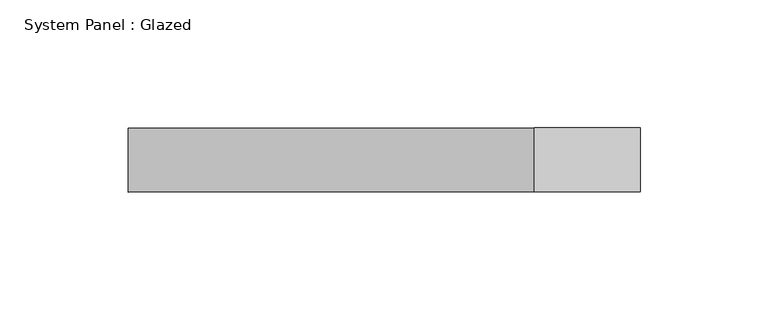
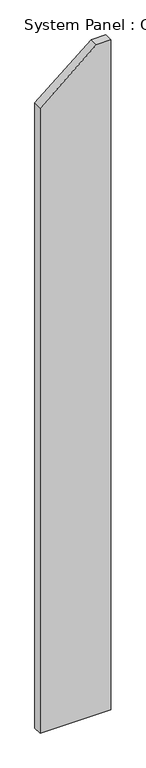
"""IFC4 building model written with IfcOpenShell, lengths in millimetres: plate geometry, System Panel : Glazed."""

import ifcopenshell
import ifcopenshell.guid

model = None  # the IFC model being written
_history = None  # IfcOwnerHistory: only IFC2X3 demands one
_inside = {}  # id of a spatial element -> (the spatial element, [elements in it])
_under = {}  # id of a project, library or spatial element -> (it, [spatial elements below it])
_declared = {}  # id of a project -> (the project, [libraries it declares])
_typed = {}  # id of a type object -> (the type object, [elements of that type])
_made_of = {}  # id of a material, layer set ... -> (it, [elements and type objects made of it])


def new_model(schema):
    """Start an empty IFC model of exactly this schema.

    Asked for "IFC4X3", IfcOpenShell would pick the latest addendum, in which some entities
    have other attributes; the version numbers below select the first issue.
    IFC2X3 requires an IfcOwnerHistory on every rooted entity: one is made here for all.
    """
    global model, _history
    if schema == "IFC4X3":
        model = ifcopenshell.file(schema_version=(4, 3, 0, 0))
    else:
        model = ifcopenshell.file(schema=schema)
    _inside.clear()
    _under.clear()
    _declared.clear()
    _typed.clear()
    _made_of.clear()
    _history = None
    if model.schema == "IFC2X3":
        org = make("IfcOrganization", Name="unknown")
        user = make(
            "IfcPersonAndOrganization",
            ThePerson=make("IfcPerson", FamilyName="unknown"),
            TheOrganization=org,
        )
        app = make(
            "IfcApplication",
            ApplicationDeveloper=org,
            Version="unknown",
            ApplicationFullName="unknown",
            ApplicationIdentifier="unknown",
        )
        _history = make(
            "IfcOwnerHistory",
            OwningUser=user,
            OwningApplication=app,
            ChangeAction="ADDED",
            CreationDate=0,
        )
    return model


def make(cls, **values):
    """One entity of the class cls with the attributes given. An attribute that is None is left unset."""
    return model.create_entity(
        cls, **{name: value for name, value in values.items() if value is not None}
    )


def rooted(cls, **values):
    """An entity with a GlobalId (a new one), such as an element, a storey or a relation."""
    return make(cls, GlobalId=ifcopenshell.guid.new(), OwnerHistory=_history, **values)


def si_unit(unit_type, name, prefix=None):
    """IfcSIUnit, for example si_unit("LENGTHUNIT", "METRE", prefix="MILLI")."""
    return make("IfcSIUnit", UnitType=unit_type, Prefix=prefix, Name=name)


def assignment(units):
    """IfcUnitAssignment: the units of a project."""
    return None if units is None else make("IfcUnitAssignment", Units=units)


def point(xyz):
    """IfcCartesianPoint."""
    return None if xyz is None else make("IfcCartesianPoint", Coordinates=xyz)


def direction(xyz):
    """IfcDirection."""
    return None if xyz is None else make("IfcDirection", DirectionRatios=xyz)


def frame(location, z_axis=None, x_axis=None):
    """IfcAxis2Placement3D, a coordinate frame: its origin and axes. An axis left out is left unset."""
    return make(
        "IfcAxis2Placement3D",
        Location=point(location),
        Axis=direction(z_axis),
        RefDirection=direction(x_axis),
    )


def origin():
    """The frame at (0, 0, 0) with its axes left unset."""
    return frame((0.0, 0.0, 0.0))


def place(relative_to, where):
    """IfcLocalPlacement: puts the frame where relative to a parent placement (None: the world)."""
    return make(
        "IfcLocalPlacement", PlacementRelTo=relative_to, RelativePlacement=where
    )


def context(
    kind, dimensions, precision=None, world=None, true_north=None, identifier=None
):
    """IfcGeometricRepresentationContext, for example the 3D "Model" context."""
    return make(
        "IfcGeometricRepresentationContext",
        ContextIdentifier=identifier,
        ContextType=kind,
        CoordinateSpaceDimension=dimensions,
        Precision=precision,
        WorldCoordinateSystem=world,
        TrueNorth=true_north,
    )


def project(units=None, contexts=None):
    """IfcProject with its units and contexts."""
    return rooted(
        "IfcProject",
        Name="project",
        RepresentationContexts=contexts,
        UnitsInContext=assignment(units),
    )


def spatial(cls, under=None, at=None, **own):
    """A site, building, storey or space (cls), placed at a placement, below another one or the project."""
    s = rooted(cls, ObjectPlacement=at, **own)
    if under is not None:
        _under.setdefault(under.id(), (under, []))[1].append(s)
    return s


def polyline(points):
    """IfcPolyline through the points."""
    return make("IfcPolyline", Points=[point(p) for p in points])


def outline(outer, holes=None, kind="AREA"):
    """IfcArbitraryClosedProfileDef: a profile drawn as a closed curve; with holes, ...WithVoids."""
    if holes is None:
        return make("IfcArbitraryClosedProfileDef", ProfileType=kind, OuterCurve=outer)
    return make(
        "IfcArbitraryProfileDefWithVoids",
        ProfileType=kind,
        OuterCurve=outer,
        InnerCurves=holes,
    )


def extrude(swept, where, along, depth):
    """IfcExtrudedAreaSolid: the profile swept, set in the frame where, extruded along a direction by depth."""
    return make(
        "IfcExtrudedAreaSolid",
        SweptArea=swept,
        Position=where,
        ExtrudedDirection=direction(along),
        Depth=depth,
    )


def shape(context_of_items, identifier, shape_type, items):
    """IfcShapeRepresentation: the items that make up one representation, for example the "Body"."""
    return make(
        "IfcShapeRepresentation",
        ContextOfItems=context_of_items,
        RepresentationIdentifier=identifier,
        RepresentationType=shape_type,
        Items=items,
    )


def source(mapping_origin, context_of_items, identifier, shape_type, items):
    """IfcRepresentationMap: a shape defined once, which mapped items show again and again."""
    return make(
        "IfcRepresentationMap",
        MappingOrigin=mapping_origin,
        MappedRepresentation=shape(context_of_items, identifier, shape_type, items),
    )


def transform(
    local_origin,
    x_axis=None,
    y_axis=None,
    z_axis=None,
    scale=None,
    scale2=None,
    scale3=None,
    uniform=True,
):
    """IfcCartesianTransformationOperator3D, or its non-uniform kind. x_axis, y_axis, z_axis: its Axis1, 2, 3."""
    if uniform:
        return make(
            "IfcCartesianTransformationOperator3D",
            Axis1=direction(x_axis),
            Axis2=direction(y_axis),
            LocalOrigin=point(local_origin),
            Scale=scale,
            Axis3=direction(z_axis),
        )
    return make(
        "IfcCartesianTransformationOperator3DnonUniform",
        Axis1=direction(x_axis),
        Axis2=direction(y_axis),
        LocalOrigin=point(local_origin),
        Scale=scale,
        Axis3=direction(z_axis),
        Scale2=scale2,
        Scale3=scale3,
    )


def mapped(mapping_source, mapping_target):
    """IfcMappedItem: shows the shape of a source again, moved by a transform."""
    return make(
        "IfcMappedItem", MappingSource=mapping_source, MappingTarget=mapping_target
    )


def made_of(thing, what):
    """Note that an element or type object is made of a material, layer set ...; save() writes the relation."""
    if what is not None:
        _made_of.setdefault(what.id(), (what, []))[1].append(thing)
    return thing


def element(
    cls,
    number,
    at=None,
    inside=None,
    cuts=None,
    type_object=None,
    material=None,
    context=None,
    identifier="Body",
    shape_type=None,
    held_by="IfcProductDefinitionShape",
    body=None,
    shapes=None,
    **own,
):
    """One element of the class cls, such as IfcWall. Its Tag is "e" and its number.

    at: its placement. inside: the storey or other place that contains it. cuts: it is an
    opening in that element (IfcRelVoidsElement). A single representation is given by context,
    identifier, shape_type and body (its items); several are given by shapes. held_by: the class
    of the entity that holds the representations. save() writes the other relations.
    """
    e = rooted(cls, Tag="e%d" % number, ObjectPlacement=at, **own)
    if body is not None:
        shapes = [shape(context, identifier, shape_type, body)]
    if shapes is not None:
        e.Representation = make(held_by, Representations=shapes)
    if inside is not None:
        _inside.setdefault(inside.id(), (inside, []))[1].append(e)
    if cuts is not None:
        rooted(
            "IfcRelVoidsElement", RelatingBuildingElement=cuts, RelatedOpeningElement=e
        )
    if type_object is not None:
        _typed.setdefault(type_object.id(), (type_object, []))[1].append(e)
    return made_of(e, material)


def aggregate(whole, parts):
    """IfcRelAggregates: a whole, such as a stair, and the parts it consists of."""
    return rooted("IfcRelAggregates", RelatingObject=whole, RelatedObjects=parts)


def save(model, path):
    """Write the relations noted so far, then the file.

    IfcRelAggregates (storeys below a building ...), IfcRelContainedInSpatialStructure (elements
    in a storey), IfcRelDefinesByType, IfcRelAssociatesMaterial and IfcRelDeclares: one each for
    every whole, place, type object, material and project.
    """
    for whole, parts in _under.values():
        aggregate(whole, parts)
    for where, things in _inside.values():
        rooted(
            "IfcRelContainedInSpatialStructure",
            RelatedElements=things,
            RelatingStructure=where,
        )
    for kind, things in _typed.values():
        rooted("IfcRelDefinesByType", RelatedObjects=things, RelatingType=kind)
    for what, things in _made_of.values():
        rooted("IfcRelAssociatesMaterial", RelatedObjects=things, RelatingMaterial=what)
    for by, libraries in _declared.values():
        rooted("IfcRelDeclares", RelatingContext=by, RelatedDefinitions=libraries)
    model.write(path)


def system_panel_glazed_c95c126d(model_context):
    return source(origin(), model_context, "Body", "SweptSolid", [
        extrude(outline(polyline([(0.0, -100.0), (0.0, 100.0), (2000.0, 100.0), (2000.0, 58.7679627), (1866.7778611, -100.0), (0.0, -100.0)])), frame((0.0, 24.5, 0.0), z_axis=(0.0, 1.0, 0.0), x_axis=(0.0, 0.0, 1.0)), (0.0, 0.0, 1.0), 25.0),
    ])


if __name__ == "__main__":
    model = new_model("IFC4")
    model_context = context("Model", 3, world=origin())
    ifc_project = project(units=[si_unit("LENGTHUNIT", "METRE", prefix="MILLI")], contexts=[model_context])
    site = spatial("IfcSite", under=ifc_project)
    building = spatial("IfcBuilding", under=site)
    placement = place(None, origin())
    system_panel_glazed_shape = system_panel_glazed_c95c126d(model_context)
    element("IfcPlate", 1, ObjectType="System Panel : Glazed", at=placement, inside=building, context=model_context, shape_type="MappedRepresentation", body=[
        mapped(system_panel_glazed_shape, transform((0.0, 0.0, 0.0), x_axis=(1.0, 0.0, 0.0), y_axis=(0.0, 1.0, 0.0), z_axis=(0.0, 0.0, 1.0))),
    ])
    save(model, "model.ifc")
